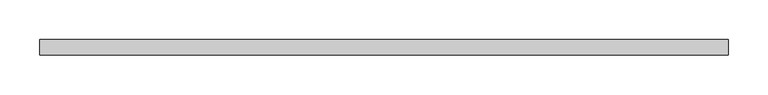
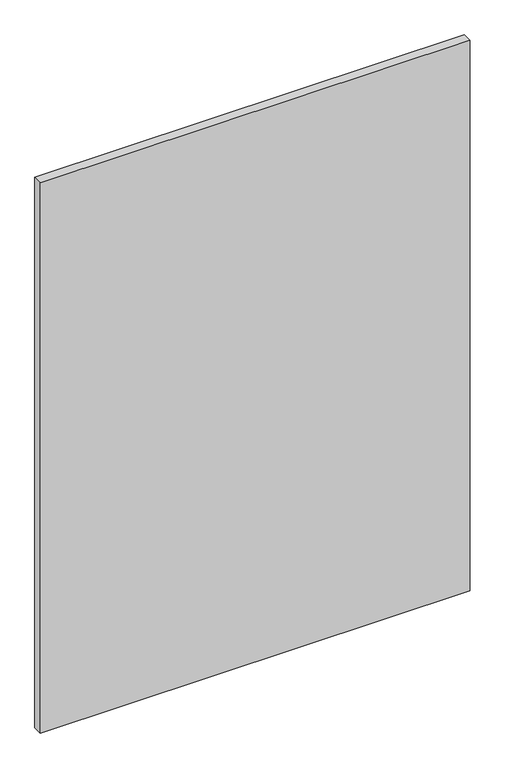
"""IFC4 building model written with IfcOpenShell, lengths in millimetres: furniture geometry."""

import ifcopenshell
import ifcopenshell.guid

model = None  # the IFC model being written
_history = None  # IfcOwnerHistory: only IFC2X3 demands one
_inside = {}  # id of a spatial element -> (the spatial element, [elements in it])
_under = {}  # id of a project, library or spatial element -> (it, [spatial elements below it])
_declared = {}  # id of a project -> (the project, [libraries it declares])
_typed = {}  # id of a type object -> (the type object, [elements of that type])
_made_of = {}  # id of a material, layer set ... -> (it, [elements and type objects made of it])


def new_model(schema):
    """Start an empty IFC model of exactly this schema.

    Asked for "IFC4X3", IfcOpenShell would pick the latest addendum, in which some entities
    have other attributes; the version numbers below select the first issue.
    IFC2X3 requires an IfcOwnerHistory on every rooted entity: one is made here for all.
    """
    global model, _history
    if schema == "IFC4X3":
        model = ifcopenshell.file(schema_version=(4, 3, 0, 0))
    else:
        model = ifcopenshell.file(schema=schema)
    _inside.clear()
    _under.clear()
    _declared.clear()
    _typed.clear()
    _made_of.clear()
    _history = None
    if model.schema == "IFC2X3":
        org = make("IfcOrganization", Name="unknown")
        user = make(
            "IfcPersonAndOrganization",
            ThePerson=make("IfcPerson", FamilyName="unknown"),
            TheOrganization=org,
        )
        app = make(
            "IfcApplication",
            ApplicationDeveloper=org,
            Version="unknown",
            ApplicationFullName="unknown",
            ApplicationIdentifier="unknown",
        )
        _history = make(
            "IfcOwnerHistory",
            OwningUser=user,
            OwningApplication=app,
            ChangeAction="ADDED",
            CreationDate=0,
        )
    return model


def make(cls, **values):
    """One entity of the class cls with the attributes given. An attribute that is None is left unset."""
    return model.create_entity(
        cls, **{name: value for name, value in values.items() if value is not None}
    )


def rooted(cls, **values):
    """An entity with a GlobalId (a new one), such as an element, a storey or a relation."""
    return make(cls, GlobalId=ifcopenshell.guid.new(), OwnerHistory=_history, **values)


def si_unit(unit_type, name, prefix=None):
    """IfcSIUnit, for example si_unit("LENGTHUNIT", "METRE", prefix="MILLI")."""
    return make("IfcSIUnit", UnitType=unit_type, Prefix=prefix, Name=name)


def assignment(units):
    """IfcUnitAssignment: the units of a project."""
    return None if units is None else make("IfcUnitAssignment", Units=units)


def point(xyz):
    """IfcCartesianPoint."""
    return None if xyz is None else make("IfcCartesianPoint", Coordinates=xyz)


def direction(xyz):
    """IfcDirection."""
    return None if xyz is None else make("IfcDirection", DirectionRatios=xyz)


def frame(location, z_axis=None, x_axis=None):
    """IfcAxis2Placement3D, a coordinate frame: its origin and axes. An axis left out is left unset."""
    return make(
        "IfcAxis2Placement3D",
        Location=point(location),
        Axis=direction(z_axis),
        RefDirection=direction(x_axis),
    )


def origin():
    """The frame at (0, 0, 0) with its axes left unset."""
    return frame((0.0, 0.0, 0.0))


def place(relative_to, where):
    """IfcLocalPlacement: puts the frame where relative to a parent placement (None: the world)."""
    return make(
        "IfcLocalPlacement", PlacementRelTo=relative_to, RelativePlacement=where
    )


def context(
    kind, dimensions, precision=None, world=None, true_north=None, identifier=None
):
    """IfcGeometricRepresentationContext, for example the 3D "Model" context."""
    return make(
        "IfcGeometricRepresentationContext",
        ContextIdentifier=identifier,
        ContextType=kind,
        CoordinateSpaceDimension=dimensions,
        Precision=precision,
        WorldCoordinateSystem=world,
        TrueNorth=true_north,
    )


def project(units=None, contexts=None):
    """IfcProject with its units and contexts."""
    return rooted(
        "IfcProject",
        Name="project",
        RepresentationContexts=contexts,
        UnitsInContext=assignment(units),
    )


def spatial(cls, under=None, at=None, **own):
    """A site, building, storey or space (cls), placed at a placement, below another one or the project."""
    s = rooted(cls, ObjectPlacement=at, **own)
    if under is not None:
        _under.setdefault(under.id(), (under, []))[1].append(s)
    return s


def polyline(points):
    """IfcPolyline through the points."""
    return make("IfcPolyline", Points=[point(p) for p in points])


def outline(outer, holes=None, kind="AREA"):
    """IfcArbitraryClosedProfileDef: a profile drawn as a closed curve; with holes, ...WithVoids."""
    if holes is None:
        return make("IfcArbitraryClosedProfileDef", ProfileType=kind, OuterCurve=outer)
    return make(
        "IfcArbitraryProfileDefWithVoids",
        ProfileType=kind,
        OuterCurve=outer,
        InnerCurves=holes,
    )


def extrude(swept, where, along, depth):
    """IfcExtrudedAreaSolid: the profile swept, set in the frame where, extruded along a direction by depth."""
    return make(
        "IfcExtrudedAreaSolid",
        SweptArea=swept,
        Position=where,
        ExtrudedDirection=direction(along),
        Depth=depth,
    )


def shape(context_of_items, identifier, shape_type, items):
    """IfcShapeRepresentation: the items that make up one representation, for example the "Body"."""
    return make(
        "IfcShapeRepresentation",
        ContextOfItems=context_of_items,
        RepresentationIdentifier=identifier,
        RepresentationType=shape_type,
        Items=items,
    )


def source(mapping_origin, context_of_items, identifier, shape_type, items):
    """IfcRepresentationMap: a shape defined once, which mapped items show again and again."""
    return make(
        "IfcRepresentationMap",
        MappingOrigin=mapping_origin,
        MappedRepresentation=shape(context_of_items, identifier, shape_type, items),
    )


def transform(
    local_origin,
    x_axis=None,
    y_axis=None,
    z_axis=None,
    scale=None,
    scale2=None,
    scale3=None,
    uniform=True,
):
    """IfcCartesianTransformationOperator3D, or its non-uniform kind. x_axis, y_axis, z_axis: its Axis1, 2, 3."""
    if uniform:
        return make(
            "IfcCartesianTransformationOperator3D",
            Axis1=direction(x_axis),
            Axis2=direction(y_axis),
            LocalOrigin=point(local_origin),
            Scale=scale,
            Axis3=direction(z_axis),
        )
    return make(
        "IfcCartesianTransformationOperator3DnonUniform",
        Axis1=direction(x_axis),
        Axis2=direction(y_axis),
        LocalOrigin=point(local_origin),
        Scale=scale,
        Axis3=direction(z_axis),
        Scale2=scale2,
        Scale3=scale3,
    )


def mapped(mapping_source, mapping_target):
    """IfcMappedItem: shows the shape of a source again, moved by a transform."""
    return make(
        "IfcMappedItem", MappingSource=mapping_source, MappingTarget=mapping_target
    )


def made_of(thing, what):
    """Note that an element or type object is made of a material, layer set ...; save() writes the relation."""
    if what is not None:
        _made_of.setdefault(what.id(), (what, []))[1].append(thing)
    return thing


def element(
    cls,
    number,
    at=None,
    inside=None,
    cuts=None,
    type_object=None,
    material=None,
    context=None,
    identifier="Body",
    shape_type=None,
    held_by="IfcProductDefinitionShape",
    body=None,
    shapes=None,
    **own,
):
    """One element of the class cls, such as IfcWall. Its Tag is "e" and its number.

    at: its placement. inside: the storey or other place that contains it. cuts: it is an
    opening in that element (IfcRelVoidsElement). A single representation is given by context,
    identifier, shape_type and body (its items); several are given by shapes. held_by: the class
    of the entity that holds the representations. save() writes the other relations.
    """
    e = rooted(cls, Tag="e%d" % number, ObjectPlacement=at, **own)
    if body is not None:
        shapes = [shape(context, identifier, shape_type, body)]
    if shapes is not None:
        e.Representation = make(held_by, Representations=shapes)
    if inside is not None:
        _inside.setdefault(inside.id(), (inside, []))[1].append(e)
    if cuts is not None:
        rooted(
            "IfcRelVoidsElement", RelatingBuildingElement=cuts, RelatedOpeningElement=e
        )
    if type_object is not None:
        _typed.setdefault(type_object.id(), (type_object, []))[1].append(e)
    return made_of(e, material)


def aggregate(whole, parts):
    """IfcRelAggregates: a whole, such as a stair, and the parts it consists of."""
    return rooted("IfcRelAggregates", RelatingObject=whole, RelatedObjects=parts)


def save(model, path):
    """Write the relations noted so far, then the file.

    IfcRelAggregates (storeys below a building ...), IfcRelContainedInSpatialStructure (elements
    in a storey), IfcRelDefinesByType, IfcRelAssociatesMaterial and IfcRelDeclares: one each for
    every whole, place, type object, material and project.
    """
    for whole, parts in _under.values():
        aggregate(whole, parts)
    for where, things in _inside.values():
        rooted(
            "IfcRelContainedInSpatialStructure",
            RelatedElements=things,
            RelatingStructure=where,
        )
    for kind, things in _typed.values():
        rooted("IfcRelDefinesByType", RelatedObjects=things, RelatingType=kind)
    for what, things in _made_of.values():
        rooted("IfcRelAssociatesMaterial", RelatedObjects=things, RelatingMaterial=what)
    for by, libraries in _declared.values():
        rooted("IfcRelDeclares", RelatingContext=by, RelatedDefinitions=libraries)
    model.write(path)


def furniture_853397d3(model_context):
    return source(origin(), model_context, "Body", "SweptSolid", [
        extrude(outline(polyline([(863.6, 57.15), (863.6, 38.1), (0.0, 38.1), (0.0, 57.15), (863.6, 57.15)])), frame((0.0, 0.0, 1036.1701109), z_axis=(0.0, 0.0, 1.0), x_axis=(1.0, 0.0, 0.0)), (0.0, 0.0, 1.0), 1168.4),
    ])


if __name__ == "__main__":
    model = new_model("IFC4")
    model_context = context("Model", 3, world=origin())
    ifc_project = project(units=[si_unit("LENGTHUNIT", "METRE", prefix="MILLI")], contexts=[model_context])
    site = spatial("IfcSite", under=ifc_project)
    building = spatial("IfcBuilding", under=site)
    placement = place(None, origin())
    furniture_shape = furniture_853397d3(model_context)
    element("IfcFurniture", 1, at=placement, inside=building, context=model_context, shape_type="MappedRepresentation", body=[
        mapped(furniture_shape, transform((0.0, 0.0, 0.0), x_axis=(1.0, 0.0, 0.0), y_axis=(0.0, 1.0, 0.0), z_axis=(0.0, 0.0, 1.0))),
    ])
    save(model, "model.ifc")
